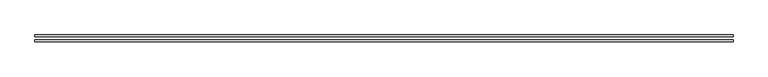
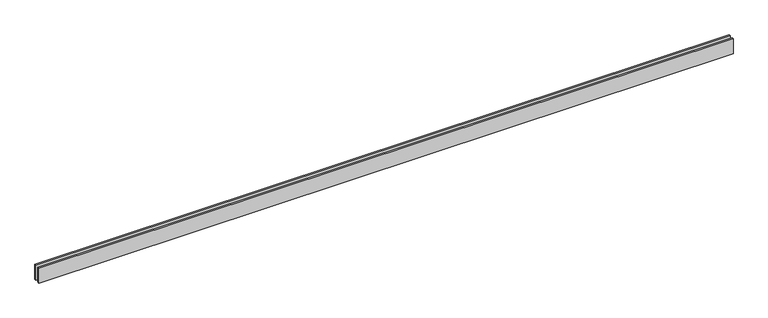
"""IFC4 building model written with IfcOpenShell, lengths in millimetres: proxy geometry."""

from ifc_helpers import new_model, si_unit, origin, origin_with_axes, place, context, project, spatial, polyline, outline, extrude, source, transform, mapped, element, save


def generic_models_9375cee0(model_context):
    return source(origin(), model_context, "Body", "SweptSolid", [
        extrude(outline(polyline([(11110.0, -25.0), (11110.0, -55.0), (0.0, -55.0), (0.0, -25.0), (11110.0, -25.0)])), origin_with_axes(), (0.0, 0.0, 1.0), 250.0),
        extrude(outline(polyline([(11110.0, 55.0), (11110.0, 25.0), (0.0, 25.0), (0.0, 55.0), (11110.0, 55.0)])), origin_with_axes(), (0.0, 0.0, 1.0), 250.0),
    ])


if __name__ == "__main__":
    model = new_model("IFC4")
    model_context = context("Model", 3, world=origin())
    ifc_project = project(units=[si_unit("LENGTHUNIT", "METRE", prefix="MILLI")], contexts=[model_context])
    site = spatial("IfcSite", under=ifc_project)
    building = spatial("IfcBuilding", under=site)
    placement = place(None, origin())
    generic_models_shape = generic_models_9375cee0(model_context)
    element("IfcBuildingElementProxy", 1, Name="Generic Models", at=placement, inside=building, context=model_context, shape_type="MappedRepresentation", body=[
        mapped(generic_models_shape, transform((0.0, 0.0, 0.0), x_axis=(1.0, 0.0, 0.0), y_axis=(0.0, 1.0, 0.0), z_axis=(0.0, 0.0, 1.0))),
    ])
    save(model, "model.ifc")
